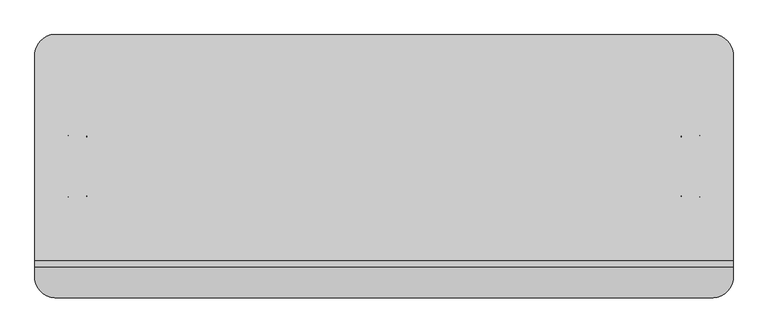
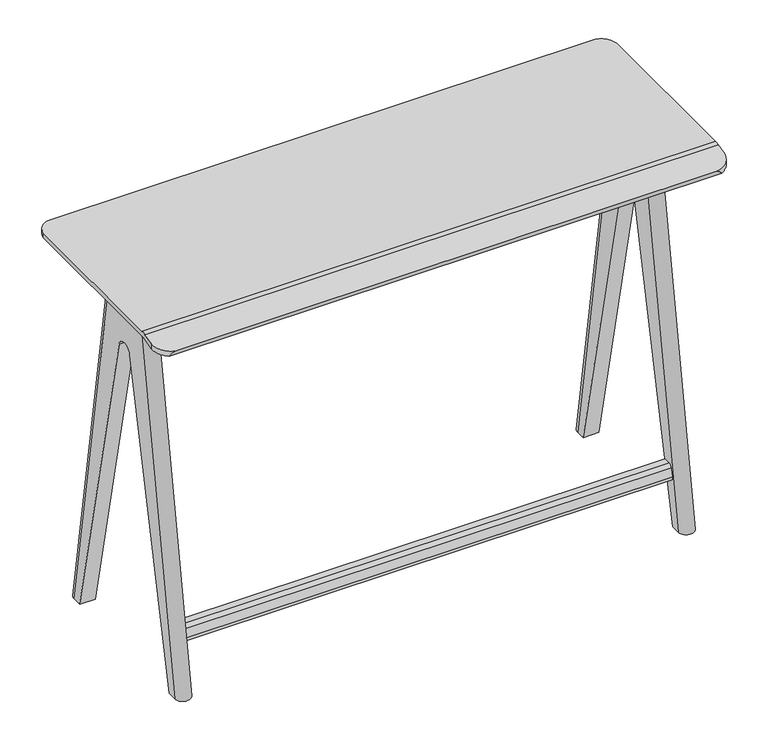
"""IFC4 building model written with IfcOpenShell, lengths in millimetres: furniture geometry."""

from ifc_helpers import new_model, si_unit, point, frame, frame_2d, origin, place, context, project, spatial, polyline, circle_curve, ellipse_curve, trimmed, segment, composite_curve, outline, extrude, source, transform, mapped, element, save
from ifc_brep_helpers import plane_surface, cylinder_surface, revolved_surface, extruded_surface, advanced_brep


def furniture_2e115c93(model_context):
    return source(origin(), model_context, "Body", "SolidModel", [
        advanced_brep(
        [(655.3200291, 57.0176623, 977.8999758), (615.9499758, 57.0176623, 977.8999758), (615.9499758, -65.0775438, 977.8999758), (655.3200291, -65.0775438, 977.8999758), (655.3200291, 191.9189393, 0.0), (615.9499758, 191.9189393, 0.0), (615.9499758, 216.1994703, 0.0), (655.3200291, 216.1994703, 0.0), (655.3200291, -224.2593519, 0.0), (655.3200291, -199.9788209, 0.0), (655.3200291, -27.6015688, 798.5158261), (655.3200291, 19.5416873, 798.5158261), (615.9499758, 19.5416873, 798.5158261), (615.9499758, -27.6015688, 798.5158261), (615.9499758, -199.9788209, 0.0), (615.9499758, -224.2593519, 0.0)],
        [
            (0, 1, circle_curve(frame((635.6350024, 57.0176623, 977.8999758), z_axis=(0.0, 0.0, 1.0), x_axis=(1.0, 0.0, 0.0)), 19.6850266)),
            (1, 2),
            (2, 3, circle_curve(frame((635.6350024, -65.0775438, 977.8999758), z_axis=(0.0, 0.0, 1.0), x_axis=(1.0, 0.0, 0.0)), 19.6850266)),
            (3, 0),
            (4, 5),
            (5, 6),
            (6, 7, circle_curve(frame((635.6350024, 216.1994703, 0.0), z_axis=(0.0, 0.0, -1.0), x_axis=(1.0, 0.0, 0.0)), 19.6850266)),
            (7, 4),
            (7, 0),
            (3, 8),
            (8, 9),
            (9, 10),
            (10, 11, circle_curve(frame((655.3200291, -4.0299408, 793.4273703), z_axis=(-1.0, 0.0, 0.0), x_axis=(0.0, 0.0, 1.0)), 24.114602)),
            (11, 4),
            (6, 1),
            (5, 12),
            (12, 13, circle_curve(frame((615.9499758, -4.0299408, 793.4273703), z_axis=(1.0, 0.0, 0.0), x_axis=(0.0, 0.0, 1.0)), 24.114602)),
            (13, 14),
            (14, 15),
            (15, 2),
            (11, 12),
            (10, 13),
            (8, 15, circle_curve(frame((635.6350024, -224.2593519, 0.0), z_axis=(0.0, 0.0, -1.0), x_axis=(1.0, 0.0, 0.0)), 19.6850266)),
            (14, 9),
        ],
        [
            plane_surface(frame((635.6350024, 18.9176623, 977.8999758), z_axis=(0.0, 0.0, 1.0), x_axis=(0.0, 1.0, 0.0))),
            plane_surface(frame((635.6350024, 204.0592048, 0.0), z_axis=(0.0, 0.0, -1.0), x_axis=(0.0, 1.0, 0.0))),
            plane_surface(frame((655.3200291, 204.0592048, 0.0), z_axis=(1.0, 0.0, 0.0), x_axis=(0.0, 1.0, 0.0))),
            extruded_surface(trimmed(circle_curve(frame((635.6350024, 216.1994703, 0.0), z_axis=(0.0, 0.0, 1.0), x_axis=(1.0, 0.0, 0.0)), 19.6850266), [point((655.3200291, 216.1994703, 0.0))], [point((615.9499758, 216.1994703, 0.0))], True, "CARTESIAN"), (0.0, -159.181808, 977.8999758), 990.7710182821203),
            plane_surface(frame((615.9499758, 204.0592048, 0.0), z_axis=(-1.0, 0.0, 0.0), x_axis=(0.0, -1.0, 0.0))),
            plane_surface(frame((635.6350024, 191.9189393, 0.0), z_axis=(0.0, -0.9774836018050248, -0.21101139353664258), x_axis=(1.0, 0.0, 0.0))),
            revolved_surface(polyline([(655.3200291, -4.0299408, 817.5419723), (615.9499758, -4.0299408, 817.5419723)]), (655.3200291, -4.0299408, 793.4273703), (1.0, 0.0, 0.0)),
            plane_surface(frame((635.6350024, -212.1190864, 0.0), z_axis=(0.0, 0.0, -1.0), x_axis=(0.0, 1.0, 0.0))),
            extruded_surface(trimmed(circle_curve(frame((635.6350024, -224.2593519, 0.0), z_axis=(0.0, 0.0, 1.0), x_axis=(1.0, 0.0, 0.0)), 19.6850266), [point((615.9499758, -224.2593519, 0.0))], [point((655.3200291, -224.2593519, 0.0))], True, "CARTESIAN"), (0.0, 159.1818081, 977.8999758), 990.7710182981867),
            plane_surface(frame((635.6350024, -199.9788209, 0.0), z_axis=(0.0, 0.9774836018050248, -0.21101139353664256), x_axis=(-1.0, 0.0, 0.0))),
        ],
        [
            (0, [[1, 2, 3, 4]]),
            (1, [[5, 6, 7, 8]]),
            (2, [[-8, 9, -4, 10, 11, 12, 13, 14]]),
            (3, [[-1, -9, -7, 15]]),
            (4, [[-6, 16, 17, 18, 19, 20, -2, -15]]),
            (5, [[-5, -14, 21, -16]]),
            (6, [[-17, -21, -13, 22]]),
            (7, [[-11, 23, -19, 24]]),
            (8, [[-3, -20, -23, -10]]),
            (9, [[-24, -18, -22, -12]]),
        ],
    ),
        extrude(outline(composite_curve([segment(polyline([(-16.646034, 890.5175291), (-39.0416109, 974.0989601), (-169.5266749, 974.0989601), (-169.5266749, 977.9), (161.4667933, 977.9), (161.4667933, 974.0989601), (30.9563433, 974.0989601), (8.5607664, 890.5175291)]), True, "CONTINUOUS"), segment(trimmed(circle_curve(frame_2d((-4.0426338, 893.8946)), 13.048), [point((8.5607664, 890.5175291))], [point((-16.646034, 890.5175291))], False, "CARTESIAN"), True, "CONTINUOUS")], self_intersect=False)), frame((-615.9499758, 0.0, 0.0), z_axis=(1.0, 0.0, 0.0), x_axis=(0.0, 1.0, 0.0)), (0.0, 0.0, 1.0), 1231.8999516),
        extrude(outline(composite_curve([segment(polyline([(-166.9816889, 160.7565938), (-166.9820341, 157.7085968), (-184.6189201, 157.7105964)]), True, "CONTINUOUS"), segment(trimmed(circle_curve(frame_2d((-184.6196401, 151.3605965)), 6.35), [point((-184.6189201, 157.7105964))], [point((-190.7035518, 153.1795298))], True, "CARTESIAN"), True, "CONTINUOUS"), segment(polyline([(-190.7035518, 153.1795298), (-197.0442848, 131.9712423)]), True, "CONTINUOUS"), segment(trimmed(circle_curve(frame_2d((-190.9603731, 130.1523091)), 6.35), [point((-197.0442848, 131.9712423))], [point((-190.9610909, 123.8023091))], True, "CARTESIAN"), True, "CONTINUOUS"), segment(polyline([(-190.9610909, 123.8023091), (-175.3678594, 123.8005466), (-175.3682046, 120.7525495), (-190.7909312, 120.7542927)]), True, "CONTINUOUS"), segment(trimmed(circle_curve(frame_2d((-190.7898546, 130.2792927)), 9.525), [point((-190.7909312, 120.7542927))], [point((-199.9157225, 133.0076915))], False, "CARTESIAN"), True, "CONTINUOUS"), segment(polyline([(-199.9157225, 133.0076915), (-193.6509309, 153.9619817)]), True, "CONTINUOUS"), segment(trimmed(circle_curve(frame_2d((-184.525063, 151.2335829)), 9.525), [point((-193.6509309, 153.9619817))], [point((-184.5239831, 160.7585828))], False, "CARTESIAN"), True, "CONTINUOUS"), segment(polyline([(-184.5239831, 160.7585828), (-166.9816889, 160.7565938)]), True, "CONTINUOUS")], self_intersect=False)), frame((-615.9499758, 0.0, 0.0), z_axis=(1.0, 0.0, 0.0), x_axis=(0.0, 1.0, 0.0)), (0.0, 0.0, 1.0), 1231.8999516),
        advanced_brep(
        [(-655.3200291, -65.0775438, 977.8999758), (-615.9499758, -65.0775438, 977.8999758), (-615.9499758, 57.0176623, 977.8999758), (-655.3200291, 57.0176623, 977.8999758), (-655.3200291, -199.9788209, 0.0), (-615.9499758, -199.9788209, 0.0), (-615.9499758, -224.2593519, 0.0), (-655.3200291, -224.2593519, 0.0), (-655.3200291, 216.1994703, 0.0), (-655.3200291, 191.9189393, 0.0), (-655.3200291, 19.5416873, 798.5158261), (-655.3200291, -27.6015688, 798.5158261), (-615.9499758, -27.6015688, 798.5158261), (-615.9499758, 19.5416873, 798.5158261), (-615.9499758, 191.9189393, 0.0), (-615.9499758, 216.1994703, 0.0)],
        [
            (0, 1, circle_curve(frame((-635.6350024, -65.0775438, 977.8999758), z_axis=(0.0, 0.0, 1.0), x_axis=(-1.0, 0.0, 0.0)), 19.6850266)),
            (1, 2),
            (2, 3, circle_curve(frame((-635.6350024, 57.0176623, 977.8999758), z_axis=(0.0, 0.0, 1.0), x_axis=(-1.0, 0.0, 0.0)), 19.6850266)),
            (3, 0),
            (4, 5),
            (5, 6),
            (6, 7, circle_curve(frame((-635.6350024, -224.2593519, 0.0), z_axis=(0.0, 0.0, -1.0), x_axis=(-1.0, 0.0, 0.0)), 19.6850266)),
            (7, 4),
            (7, 0),
            (3, 8),
            (8, 9),
            (9, 10),
            (10, 11, circle_curve(frame((-655.3200291, -4.0299408, 793.4273703), z_axis=(1.0, 0.0, 0.0), x_axis=(0.0, 0.0, 1.0)), 24.114602)),
            (11, 4),
            (6, 1),
            (5, 12),
            (12, 13, circle_curve(frame((-615.9499758, -4.0299408, 793.4273703), z_axis=(-1.0, 0.0, 0.0), x_axis=(0.0, 0.0, 1.0)), 24.114602)),
            (13, 14),
            (14, 15),
            (15, 2),
            (11, 12),
            (8, 15, circle_curve(frame((-635.6350024, 216.1994703, 0.0), z_axis=(0.0, 0.0, -1.0), x_axis=(-1.0, 0.0, 0.0)), 19.6850266)),
            (14, 9),
            (13, 10),
        ],
        [
            plane_surface(frame((-635.6350024, -26.9775438, 977.8999758), z_axis=(0.0, 0.0, 1.0), x_axis=(0.0, -1.0, 0.0))),
            plane_surface(frame((-635.6350024, -212.1190864, 0.0), z_axis=(0.0, 0.0, -1.0), x_axis=(0.0, -1.0, 0.0))),
            plane_surface(frame((-655.3200291, -212.1190864, 0.0), z_axis=(-1.0, 0.0, 0.0), x_axis=(0.0, -1.0, 0.0))),
            extruded_surface(trimmed(circle_curve(frame((-635.6350024, -224.2593519, 0.0), z_axis=(0.0, 0.0, 1.0), x_axis=(-1.0, 0.0, 0.0)), 19.6850266), [point((-655.3200291, -224.2593519, 0.0))], [point((-615.9499758, -224.2593519, 0.0))], True, "CARTESIAN"), (0.0, 159.1818081, 977.8999758), 990.7710182981867),
            plane_surface(frame((-615.9499758, -212.1190864, 0.0), z_axis=(1.0, 0.0, 0.0), x_axis=(0.0, 1.0, 0.0))),
            plane_surface(frame((-635.6350024, -199.9788209, 0.0), z_axis=(0.0, 0.9774836018050248, -0.21101139353664256), x_axis=(-1.0, 0.0, 0.0))),
            plane_surface(frame((-635.6350024, 204.0592048, 0.0), z_axis=(0.0, 0.0, -1.0), x_axis=(0.0, -1.0, 0.0))),
            extruded_surface(trimmed(circle_curve(frame((-635.6350024, 216.1994703, 0.0), z_axis=(0.0, 0.0, 1.0), x_axis=(-1.0, 0.0, 0.0)), 19.6850266), [point((-615.9499758, 216.1994703, 0.0))], [point((-655.3200291, 216.1994703, 0.0))], True, "CARTESIAN"), (0.0, -159.181808, 977.8999758), 990.7710182821203),
            plane_surface(frame((-635.6350024, 191.9189393, 0.0), z_axis=(0.0, -0.9774836018050248, -0.21101139353664258), x_axis=(1.0, 0.0, 0.0))),
            revolved_surface(polyline([(-655.3200291, -4.0299408, 817.5419723), (-615.9499758, -4.0299408, 817.5419723)]), (-655.3200291, -4.0299408, 793.4273703), (-1.0, 0.0, 0.0)),
        ],
        [
            (0, [[1, 2, 3, 4]]),
            (1, [[5, 6, 7, 8]]),
            (2, [[-8, 9, -4, 10, 11, 12, 13, 14]]),
            (3, [[-1, -9, -7, 15]]),
            (4, [[-6, 16, 17, 18, 19, 20, -2, -15]]),
            (5, [[-5, -14, 21, -16]]),
            (6, [[-11, 22, -19, 23]]),
            (7, [[-3, -20, -22, -10]]),
            (8, [[-23, -18, 24, -12]]),
            (9, [[-17, -21, -13, -24]]),
        ],
    ),
        advanced_brep(
        [(723.9, -199.3031026, 990.6), (723.9, -212.45111, 988.869032), (723.9, -239.8689354, 981.5224478), (723.9, -239.8689354, 968.3744403), (723.9, -210.7791233, 976.169032), (723.9, -197.6311158, 977.9), (723.9, 231.9409017, 977.9), (723.9, 231.9409017, 990.6), (-723.9, -197.6311158, 977.9), (-723.9, -210.7791233, 976.169032), (-723.9, -239.8689354, 968.3744403), (-723.9, -239.8689354, 981.5224478), (-723.9, -212.45111, 988.869032), (-723.9, -199.3031026, 990.6), (-723.9, 231.9409017, 990.6), (-723.9, 231.9409017, 977.9), (691.3382634, 269.0200532, 990.6), (-691.3382634, 269.0200532, 990.6), (-682.7916683, -276.9606035, 971.5837653), (-679.4308507, -276.9606035, 971.5837653), (679.4308507, -276.9606035, 971.5837653), (682.7916683, -276.9606035, 971.5837653), (-697.7226637, -273.6736016, 959.3165073), (697.7226637, -273.6736016, 959.3165073), (-691.3382634, 269.0200532, 977.9), (691.3382634, 269.0200532, 977.9)],
        [
            (0, 1, circle_curve(frame((723.9, -199.3031026, 939.8), z_axis=(1.0, 0.0, 0.0), x_axis=(0.0, 0.0, 1.0)), 50.8)),
            (1, 2),
            (2, 3),
            (3, 4),
            (4, 5, circle_curve(frame((723.9, -197.6311158, 927.1), z_axis=(-1.0, 0.0, 0.0), x_axis=(0.0, 0.0, 1.0)), 50.8)),
            (5, 6),
            (6, 7),
            (7, 0),
            (8, 9, circle_curve(frame((-723.9, -197.6311158, 927.1), z_axis=(1.0, 0.0, 0.0), x_axis=(0.0, 0.0, 1.0)), 50.8)),
            (9, 10),
            (10, 11),
            (11, 12),
            (12, 13, circle_curve(frame((-723.9, -199.3031026, 939.8), z_axis=(-1.0, 0.0, 0.0), x_axis=(0.0, 0.0, 1.0)), 50.8)),
            (13, 14),
            (14, 15),
            (15, 8),
            (13, 0),
            (7, 16, circle_curve(frame((679.4308507, 225.7264217, 990.6), z_axis=(0.0, 0.0, 1.0), x_axis=(-1.0, 0.0, 0.0)), 44.9012806)),
            (16, 17),
            (17, 14, circle_curve(frame((-679.4308507, 225.7264217, 990.6), z_axis=(0.0, 0.0, 1.0), x_axis=(-1.0, 0.0, 0.0)), 44.9012806)),
            (12, 1),
            (11, 18, ellipse_curve(frame((-681.1112595, -233.7724086, 983.1560073), z_axis=(0.0, -0.258819045102522, 0.965925826289068), x_axis=(0.0, -0.965925826289068, -0.25881904510252174)), 44.7455414, 43.220874)),
            (18, 19),
            (19, 20),
            (20, 21),
            (21, 2, ellipse_curve(frame((681.1112595, -233.7724086, 983.1560073), z_axis=(0.0, -0.258819045102522, 0.965925826289068), x_axis=(0.0, -0.965925826289068, -0.25881904510252174)), 44.7455414, 43.220874)),
            (18, 22, ellipse_curve(frame((-681.1112595, -233.7724086, 810.4032277), z_axis=(0.0, -0.9659258262890693, -0.25881904510251713), x_axis=(0.0, 0.25881904510251713, -0.9659258262890693)), 166.9926338, 43.220874)),
            (22, 23),
            (23, 21, ellipse_curve(frame((681.1112595, -233.7724086, 810.4032277), z_axis=(0.0, -0.9659258262890693, -0.25881904510251713), x_axis=(0.0, 0.25881904510251713, -0.9659258262890693)), 166.9926338, 43.220874)),
            (9, 4),
            (3, 23, ellipse_curve(frame((681.1112595, -233.7724086, 970.0079998), z_axis=(0.0, 0.2588190451025214, -0.9659258262890682), x_axis=(0.0, -0.9659258262890682, -0.25881904510252063)), 44.7455414, 43.220874)),
            (22, 10, ellipse_curve(frame((-681.1112595, -233.7724086, 970.0079998), z_axis=(0.0, 0.2588190451025214, -0.9659258262890682), x_axis=(0.0, -0.9659258262890682, -0.25881904510252063)), 44.7455414, 43.220874)),
            (8, 5),
            (15, 24, circle_curve(frame((-679.4308507, 225.7264217, 977.9), z_axis=(0.0, 0.0, -1.0), x_axis=(-1.0, 0.0, 0.0)), 44.9012806)),
            (24, 25),
            (25, 6, circle_curve(frame((679.4308507, 225.7264217, 977.9), z_axis=(0.0, 0.0, -1.0), x_axis=(-1.0, 0.0, 0.0)), 44.9012806)),
            (16, 25),
            (24, 17),
        ],
        [
            plane_surface(frame((723.9, 269.0200532, 990.6), z_axis=(1.0, 0.0, 0.0), x_axis=(0.0, -1.0, 0.0))),
            plane_surface(frame((-723.9, 269.0200532, 990.6), z_axis=(-1.0, 0.0, 0.0), x_axis=(0.0, 1.0, 0.0))),
            plane_surface(frame((723.9, 269.0200532, 990.6), z_axis=(0.0, 0.0, 1.0), x_axis=(-1.0, 0.0, 0.0))),
            cylinder_surface(frame((-723.9, -199.3031026, 939.8), z_axis=(1.0, 0.0, 0.0), x_axis=(0.0, 0.0, 1.0)), 50.8),
            plane_surface(frame((723.9, -212.45111, 988.869032), z_axis=(0.0, -0.258819045102522, 0.965925826289068), x_axis=(-1.0, 0.0, 0.0))),
            plane_surface(frame((723.9, -276.9606035, 971.5837653), z_axis=(0.0, -0.9659258262890693, -0.25881904510251713), x_axis=(-1.0, 0.0, 0.0))),
            plane_surface(frame((723.9, -273.6736016, 959.3165073), z_axis=(0.0, 0.2588190451025214, -0.9659258262890682), x_axis=(-1.0, 0.0, 0.0))),
            revolved_surface(polyline([(-723.9, -197.6311158, 977.9), (723.9, -197.6311158, 977.9)]), (-723.9, -197.6311158, 927.1), (-1.0, 0.0, 0.0)),
            plane_surface(frame((723.9, -197.6311158, 977.9), z_axis=(0.0, 0.0, -1.0), x_axis=(-1.0, 0.0, 0.0))),
            plane_surface(frame((723.9, 269.0200532, 977.9), z_axis=(0.0, 1.0, 0.0), x_axis=(-1.0, 0.0, 0.0))),
            cylinder_surface(frame((-679.4308507, 225.7264217, 952.5), z_axis=(0.0, 0.0, -1.0), x_axis=(-1.0, 0.0, 0.0)), 44.9012806),
            cylinder_surface(frame((679.4308507, 225.7264217, 952.5), z_axis=(0.0, 0.0, -1.0), x_axis=(-1.0, 0.0, 0.0)), 44.9012806),
            cylinder_surface(frame((-681.1112595, -233.7724086, 952.5), z_axis=(0.0, 0.0, -1.0), x_axis=(-1.0, 0.0, 0.0)), 43.220874),
            cylinder_surface(frame((681.1112595, -233.7724086, 952.5), z_axis=(0.0, 0.0, -1.0), x_axis=(-1.0, 0.0, 0.0)), 43.220874),
        ],
        [
            (0, [[1, 2, 3, 4, 5, 6, 7, 8]]),
            (1, [[9, 10, 11, 12, 13, 14, 15, 16]]),
            (2, [[17, -8, 18, 19, 20, -14]]),
            (3, [[-1, -17, -13, 21]]),
            (4, [[-21, -12, 22, 23, 24, 25, 26, -2]]),
            (5, [[-23, 27, 28, 29, -25, -24]]),
            (6, [[30, -4, 31, -28, 32, -10]]),
            (7, [[-5, -30, -9, 33]]),
            (8, [[-33, -16, 34, 35, 36, -6]]),
            (9, [[-19, 37, -35, 38]]),
            (10, [[-15, -20, -38, -34]]),
            (11, [[-7, -36, -37, -18]]),
            (12, [[-11, -32, -27, -22]]),
            (13, [[-3, -26, -29, -31]]),
        ],
    ),
    ])


if __name__ == "__main__":
    model = new_model("IFC4")
    model_context = context("Model", 3, world=origin())
    ifc_project = project(units=[si_unit("LENGTHUNIT", "METRE", prefix="MILLI")], contexts=[model_context])
    site = spatial("IfcSite", under=ifc_project)
    building = spatial("IfcBuilding", under=site)
    placement = place(None, origin())
    furniture_shape = furniture_2e115c93(model_context)
    element("IfcFurniture", 1, at=placement, inside=building, context=model_context, shape_type="MappedRepresentation", body=[
        mapped(furniture_shape, transform((0.0, 0.0, 0.0), x_axis=(1.0, 0.0, 0.0), y_axis=(0.0, 1.0, 0.0), z_axis=(0.0, 0.0, 1.0))),
    ])
    save(model, "model.ifc")
